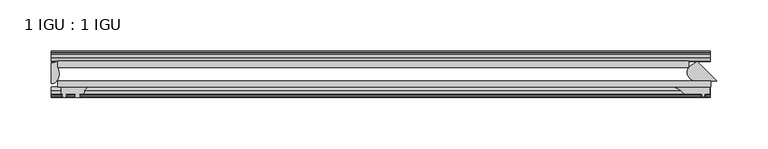
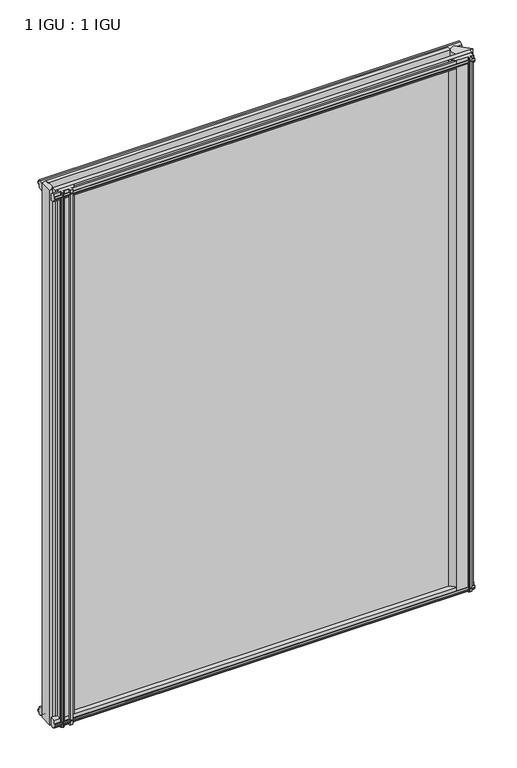
"""IFC4 building model written with IfcOpenShell, lengths in millimetres: plate geometry, 1 IGU : 1 IGU."""

from ifc_helpers import new_model, si_unit, point, frame, frame_2d, origin, place, context, project, spatial, polyline, circle_curve, ellipse_curve, trimmed, segment, composite_curve, outline, extrude, source, transform, mapped, element, save
from ifc_brep_helpers import plane_surface, cylinder_surface, revolved_surface, extruded_surface, advanced_brep


def plate_1_igu_1_igu_87ae5d0a(model_context):
    return source(origin(), model_context, "Body", "SolidModel", [
        extrude(outline(polyline([(-314.3261907, -38.6468937), (321.2715032, -38.6468937), (321.2715032, -44.9460938), (-314.3261907, -44.9460938), (-314.3261907, -38.6468937)])), frame((0.0, 0.0, -12.7), z_axis=(0.0, 0.0, 1.0), x_axis=(1.0, 0.0, 0.0)), (0.0, 0.0, 1.0), 863.5872996),
        extrude(outline(polyline([(-314.3261907, -19.5460937), (299.939472, -19.5460937), (299.939472, -25.8960938), (-314.3261907, -25.8960938), (-314.3261907, -19.5460937)])), frame((0.0, 0.0, -12.7), z_axis=(0.0, 0.0, 1.0), x_axis=(1.0, 0.0, 0.0)), (0.0, 0.0, 1.0), 863.5872996),
        extrude(outline(composite_curve([segment(polyline([(308.3479936, -19.9178967), (327.0769907, -38.6468938), (305.9733448, -38.6468938)]), True, "CONTINUOUS"), segment(trimmed(circle_curve(frame_2d((306.7635261, -30.324123)), 8.3601973), [point((305.9733448, -38.6468938))], [point((300.5961133, -24.6800183))], False, "CARTESIAN"), True, "CONTINUOUS"), segment(polyline([(300.5961133, -24.6800183), (308.3479936, -19.9178967)]), True, "CONTINUOUS")], self_intersect=False)), frame((0.0, 0.0, -12.4587), z_axis=(0.0, 0.0, 1.0), x_axis=(1.0, 0.0, 0.0)), (0.0, 0.0, 1.0), 863.3459996),
        advanced_brep(
        [(-320.6761907, -21.1706006, -12.7), (-314.3275788, -19.5461438, -12.7), (-314.3275788, -25.8549351, -12.7), (-313.1522276, -32.21431, -12.7), (-320.6761907, -41.5384043, -12.7), (-320.6761907, -21.1706006, 850.8872996), (-320.6761907, -41.5384043, 850.8872996), (-313.1522276, -32.21431, 850.8872996), (-314.3275788, -25.8549351, 850.8872996), (-314.3275788, -19.5461438, 850.8872996)],
        [
            (0, 1, circle_curve(frame((-320.6767601, -7.9505008, -12.7), z_axis=(0.0, 0.0, 1.0), x_axis=(1.0, 0.0, 0.0)), 13.2200998)),
            (1, 2),
            (2, 3, circle_curve(frame((-331.2145919, -32.2643264, -12.7), z_axis=(0.0, 0.0, -1.0), x_axis=(1.0, 0.0, 0.0)), 18.0624336)),
            (3, 4, ellipse_curve(frame((-320.6753578, -32.2460921, -12.7), z_axis=(0.0, 0.0, -1.0), x_axis=(0.0, -1.0, 0.0)), 9.2923123, 7.5231742)),
            (4, 0),
            (5, 6),
            (6, 7, ellipse_curve(frame((-320.6753578, -32.2460921, 850.8872996), z_axis=(0.0, 0.0, 1.0), x_axis=(0.0, -1.0, 0.0)), 9.2923123, 7.5231742)),
            (7, 8, circle_curve(frame((-331.2145919, -32.2643264, 850.8872996), z_axis=(0.0, 0.0, 1.0), x_axis=(1.0, 0.0, 0.0)), 18.0624336)),
            (8, 9),
            (9, 5, circle_curve(frame((-320.6767601, -7.9505008, 850.8872996), z_axis=(0.0, 0.0, -1.0), x_axis=(1.0, 0.0, 0.0)), 13.2200998)),
            (0, 5),
            (9, 1),
            (8, 2),
            (7, 3),
            (6, 4),
        ],
        [
            plane_surface(frame((-320.6761907, -13.1960937, -12.7), z_axis=(0.0, 0.0, -1.0), x_axis=(0.0, 1.0, 0.0))),
            plane_surface(frame((-320.6761907, -13.1960937, 850.8872996), z_axis=(0.0, 0.0, 1.0), x_axis=(0.0, 1.0, 0.0))),
            revolved_surface(polyline([(-307.4566603, -7.9505008, 850.8872996), (-307.4566603, -7.9505008, -12.7)]), (-320.6767601, -7.9505008, -12.7), (0.0, 0.0, 1.0)),
            plane_surface(frame((-314.3275788, -19.5461438, -12.7), z_axis=(1.0, 0.0, 0.0), x_axis=(0.0, 0.0, 1.0))),
            cylinder_surface(frame((-331.2145919, -32.2643264, -12.7), z_axis=(0.0, 0.0, -1.0), x_axis=(1.0, 0.0, 0.0)), 18.0624336),
            extruded_surface(trimmed(ellipse_curve(frame((-320.6753578, -32.2460921, 850.8872996), z_axis=(0.0, 0.0, -1.0), x_axis=(0.0, -1.0, 0.0)), 9.2923123, 7.5231742), [point((-313.1522276, -32.21431, 850.8872996))], [point((-320.6761907, -41.5384043, 850.8872996))], True, "CARTESIAN"), (0.0, 0.0, -863.5872996), 863.5872996),
            plane_surface(frame((-320.6761907, -41.5384043, -12.7), z_axis=(-1.0, 0.0, 0.0), x_axis=(0.0, 0.0, 1.0))),
        ],
        [
            (0, [[1, 2, 3, 4, 5]]),
            (1, [[6, 7, 8, 9, 10]]),
            (2, [[-1, 11, -10, 12]]),
            (3, [[-2, -12, -9, 13]]),
            (4, [[-3, -13, -8, 14]]),
            (5, [[-4, -14, -7, 15]]),
            (6, [[-5, -15, -6, -11]]),
        ],
    ),
        extrude(outline(composite_curve([segment(polyline([(320.3668505, -44.9460938), (320.3668505, -51.2960938), (315.2868505, -51.2960938), (314.9693505, -53.4006957), (316.1879564, -53.0741712), (316.3917505, -53.8347412), (314.0168505, -54.4710938), (311.6419505, -53.8347412), (311.8457446, -53.0741712), (313.0643505, -53.4006957), (312.7468505, -51.2960938), (295.3478505, -51.2960938)]), True, "CONTINUOUS"), segment(trimmed(circle_curve(frame_2d((281.8178467, -61.7346627)), 17.0887309), [point((295.3478505, -51.2960938))], [point((285.0066828, -44.9460938))], True, "CARTESIAN"), True, "CONTINUOUS"), segment(polyline([(285.0066828, -44.9460938), (320.3668505, -44.9460938)]), True, "CONTINUOUS")], self_intersect=False)), frame((0.0, 0.0, -11.938), z_axis=(0.0, 0.0, 1.0), x_axis=(1.0, 0.0, 0.0)), (0.0, 0.0, 1.0), 862.5839998),
        extrude(outline(polyline([(-44.9460937, 1.7177181), (-44.9460937, -9.1036578), (-48.3496937, -11.938), (-51.2960937, -11.938), (-51.2960937, -7.493), (-53.6762907, -7.112), (-53.2163575, -8.5275291), (-54.0175717, -8.5275291), (-54.7250937, -6.35), (-54.0175717, -4.1724709), (-53.2163575, -4.1724709), (-53.6762907, -5.588), (-51.2960937, -5.207), (-51.2960937, 0.0), (-44.9460937, 1.7177181)])), frame((-320.6761907, 0.0, 0.0), z_axis=(1.0, 0.0, 0.0), x_axis=(0.0, 1.0, 0.0)), (0.0, 0.0, 1.0), 641.3523814),
        extrude(outline(polyline([(-13.1960937, -12.4587), (-16.1424937, -12.4587), (-19.5460937, -9.6243578), (-19.5460937, 1.1970181), (-13.1960937, -0.5207), (-13.1960937, -5.7277), (-10.8158968, -6.1087), (-11.27583, -4.6931709), (-10.4746158, -4.6931709), (-9.7670937, -6.8707), (-10.4746158, -9.0482291), (-11.27583, -9.0482291), (-10.8158968, -7.6327), (-13.1960937, -8.0137), (-13.1960937, -12.4587)])), frame((-320.6761907, 0.0, 0.0), z_axis=(1.0, 0.0, 0.0), x_axis=(0.0, 1.0, 0.0)), (0.0, 0.0, 1.0), 641.3523814),
        extrude(outline(polyline([(-51.2960937, 850.1252996), (-48.3496937, 850.1252996), (-44.9460937, 847.2909574), (-44.9460937, 836.4695815), (-51.2960937, 838.1872996), (-51.2960937, 843.3942996), (-53.6762907, 843.7752996), (-53.2163575, 842.3597706), (-54.0175717, 842.3597706), (-54.7250937, 844.5372996), (-54.0175717, 846.7148287), (-53.2163575, 846.7148287), (-53.6762907, 845.2992996), (-51.2960937, 845.6802996), (-51.2960937, 850.1252996)])), frame((-320.6761907, 0.0, 0.0), z_axis=(1.0, 0.0, 0.0), x_axis=(0.0, 1.0, 0.0)), (0.0, 0.0, 1.0), 641.3523814),
        extrude(outline(polyline([(-19.5460937, 836.9902815), (-19.5460937, 847.8116574), (-16.1424937, 850.6459996), (-13.1960937, 850.6459996), (-13.1960937, 846.2009996), (-10.8158968, 845.8199996), (-11.27583, 847.2355287), (-10.4746158, 847.2355287), (-9.7670937, 845.0579996), (-10.4746158, 842.8804706), (-11.27583, 842.8804706), (-10.8158968, 844.2959996), (-13.1960937, 843.9149996), (-13.1960937, 838.7079996), (-19.5460937, 836.9902815)])), frame((-320.6761907, 0.0, 0.0), z_axis=(1.0, 0.0, 0.0), x_axis=(0.0, 1.0, 0.0)), (0.0, 0.0, 1.0), 641.3523814),
        extrude(outline(composite_curve([segment(trimmed(circle_curve(frame_2d((-279.9102594, -51.9750196)), 9.0414579), [point((-285.5972763, -44.9460938))], [point((-288.9261909, -51.2960938))], True, "CARTESIAN"), True, "CONTINUOUS"), segment(polyline([(-288.9261909, -51.2960938), (-293.1679909, -51.2960938)]), True, "CONTINUOUS"), segment(trimmed(circle_curve(frame_2d((-293.1679909, -51.7532938)), 0.4572), [point((-293.1679909, -51.2960938))], [point((-293.5068087, -52.0602698))], True, "CARTESIAN"), True, "CONTINUOUS"), segment(trimmed(circle_curve(frame_2d((-295.2761909, -53.663367)), 2.3876), [point((-293.5068087, -52.0602698))], [point((-293.2055479, -54.8520938))], False, "CARTESIAN"), True, "CONTINUOUS"), segment(polyline([(-293.2055479, -54.8520938), (-297.3468339, -54.8520938)]), True, "CONTINUOUS"), segment(trimmed(circle_curve(frame_2d((-295.2761909, -53.663367)), 2.3876), [point((-297.3468339, -54.8520938))], [point((-297.045573, -52.0602698))], False, "CARTESIAN"), True, "CONTINUOUS"), segment(trimmed(circle_curve(frame_2d((-297.3843909, -51.7532938)), 0.4572), [point((-297.045573, -52.0602698))], [point((-297.3843909, -51.2960938))], True, "CARTESIAN"), True, "CONTINUOUS"), segment(polyline([(-297.3843909, -51.2960938), (-306.4521909, -51.2960938), (-306.4521909, -52.9470938), (-305.3745601, -52.9470938)]), True, "CONTINUOUS"), segment(trimmed(circle_curve(frame_2d((-306.4521909, -52.9470938)), 1.0776307), [point((-305.3745601, -52.9470938))], [point((-305.6901909, -53.7090938))], False, "CARTESIAN"), True, "CONTINUOUS"), segment(polyline([(-305.6901909, -53.7090938), (-307.4294833, -54.8194621)]), True, "CONTINUOUS"), segment(trimmed(circle_curve(frame_2d((-307.9761909, -53.9630938)), 1.016), [point((-307.4294833, -54.8194621))], [point((-308.5228985, -54.8194621))], False, "CARTESIAN"), True, "CONTINUOUS"), segment(polyline([(-308.5228985, -54.8194621), (-310.2621909, -53.7090938)]), True, "CONTINUOUS"), segment(trimmed(circle_curve(frame_2d((-309.5001909, -52.9470938)), 1.0776307), [point((-310.2621909, -53.7090938))], [point((-310.5778216, -52.9470938))], False, "CARTESIAN"), True, "CONTINUOUS"), segment(polyline([(-310.5778216, -52.9470938), (-309.5001909, -52.9470938), (-309.5001909, -51.2960938), (-311.1511909, -51.2960938), (-311.1511909, -44.9460938), (-285.5972763, -44.9460938)]), True, "CONTINUOUS")], self_intersect=False)), frame((0.0, 0.0, -12.7), z_axis=(0.0, 0.0, 1.0), x_axis=(1.0, 0.0, 0.0)), (0.0, 0.0, 1.0), 863.5872998),
    ])


if __name__ == "__main__":
    model = new_model("IFC4")
    model_context = context("Model", 3, world=origin())
    ifc_project = project(units=[si_unit("LENGTHUNIT", "METRE", prefix="MILLI")], contexts=[model_context])
    site = spatial("IfcSite", under=ifc_project)
    building = spatial("IfcBuilding", under=site)
    placement = place(None, origin())
    plate_1_igu_1_igu_shape = plate_1_igu_1_igu_87ae5d0a(model_context)
    element("IfcPlate", 1, ObjectType="1 IGU : 1 IGU", at=placement, inside=building, context=model_context, shape_type="MappedRepresentation", body=[
        mapped(plate_1_igu_1_igu_shape, transform((0.0, 0.0, 0.0), x_axis=(1.0, 0.0, 0.0), y_axis=(0.0, 1.0, 0.0), z_axis=(0.0, 0.0, 1.0))),
    ])
    save(model, "model.ifc")
